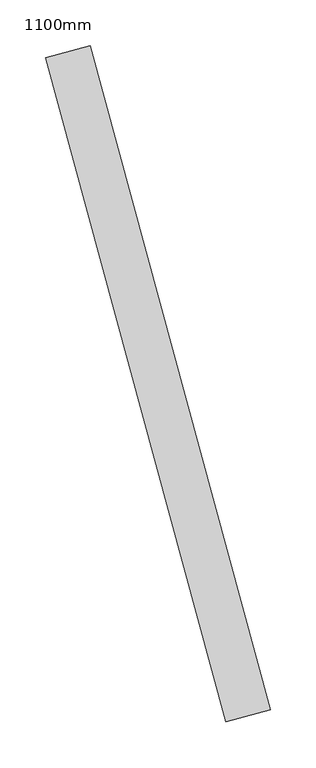
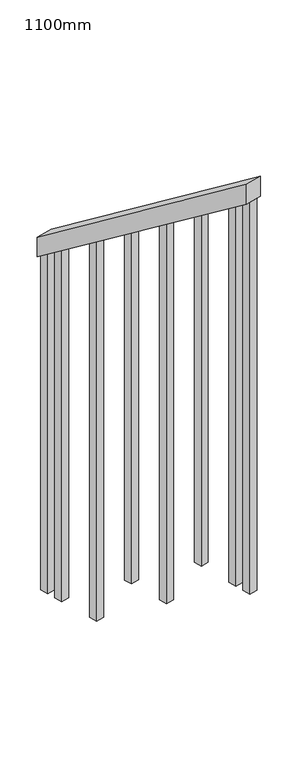
"""IFC4 building model written with IfcOpenShell, lengths in millimetres: railing geometry, 1100mm."""

from ifc_helpers import new_model, si_unit, frame, origin, place, context, project, spatial, polyline, outline, extrude, source, transform, mapped, element, save


def railing_1100mm_a3286faf(model_context):
    return source(origin(), model_context, "Body", "SweptSolid", [
        extrude(outline(polyline([(35.5555555, -50.0), (0.0, 0.0), (920.2958461, 0.0), (955.8514016, -50.0), (35.5555555, -50.0)])), frame((86217.345285, 13639.5119564, 1216.4247214), z_axis=(0.9649894123601869, 0.2622888370341775, 0.0), x_axis=(0.21375368431596142, -0.7864232597554525, 0.5795237863599392)), (0.0, 0.0, 1.0), 50.0),
        extrude(outline(polyline([(1271.980277, 25.0), (1271.980277, 0.0), (91.1111112, 0.0), (108.8888889, 25.0), (1271.980277, 25.0)])), frame((86413.0098386, 12967.2979783, 1805.3136103), z_axis=(0.964989412360187, 0.26228883703417755, 0.0), x_axis=(0.0, 0.0, -1.0)), (0.0, 0.0, 1.0), 25.0),
        extrude(outline(polyline([(1183.0913881, 25.0), (1183.0913881, 0.0), (91.1111111, 0.0), (108.8888889, 25.0), (1183.0913881, 25.0)])), frame((86380.2237339, 13087.9216548, 1716.4247214), z_axis=(0.964989412360187, 0.26228883703417755, 0.0), x_axis=(0.0, 0.0, -1.0)), (0.0, 0.0, 1.0), 25.0),
        extrude(outline(polyline([(1271.9802769, 25.0), (1271.9802769, 0.0), (91.1111111, 0.0), (108.8888889, 25.0), (1271.9802769, 25.0)])), frame((86347.4376293, 13208.5453314, 1627.5358325), z_axis=(0.964989412360187, 0.26228883703417755, 0.0), x_axis=(0.0, 0.0, -1.0)), (0.0, 0.0, 1.0), 25.0),
        extrude(outline(polyline([(1183.091388, 25.0), (1183.091388, 0.0), (91.1111111, 0.0), (108.8888889, 25.0), (1183.091388, 25.0)])), frame((86314.6515247, 13329.1690079, 1538.6469436), z_axis=(0.964989412360187, 0.26228883703417755, 0.0), x_axis=(0.0, 0.0, -1.0)), (0.0, 0.0, 1.0), 25.0),
        extrude(outline(polyline([(1271.9802769, 25.0), (1271.9802769, 0.0), (91.1111111, 0.0), (108.8888889, 25.0), (1271.9802769, 25.0)])), frame((86281.8654201, 13449.7926844, 1449.7580547), z_axis=(0.964989412360187, 0.26228883703417755, 0.0), x_axis=(0.0, 0.0, -1.0)), (0.0, 0.0, 1.0), 25.0),
        extrude(outline(polyline([(1183.091388, 25.0), (1183.091388, 0.0), (91.1111111, 0.0), (108.8888889, 25.0), (1183.091388, 25.0)])), frame((86249.0793154, 13570.416361, 1360.8691658), z_axis=(0.964989412360187, 0.26228883703417755, 0.0), x_axis=(0.0, 0.0, -1.0)), (0.0, 0.0, 1.0), 25.0),
        extrude(outline(polyline([(1307.5358325, 25.0000001), (1307.5358325, 0.0), (91.1111111, 0.0), (108.8888889, 25.0000001), (1307.5358325, 25.0000001)])), frame((86426.1242804, 12919.0485076, 1840.8691658), z_axis=(0.964989412360187, 0.26228883703417755, 0.0), x_axis=(0.0, 0.0, -1.0)), (0.0, 0.0, 1.0), 25.0),
        extrude(outline(polyline([(1147.5358325, 25.0), (1147.5358325, 0.0), (91.1111112, 0.0), (108.8888889, 25.0), (1147.5358325, 25.0)])), frame((86235.9648736, 13618.6658316, 1325.3136103), z_axis=(0.964989412360187, 0.26228883703417755, 0.0), x_axis=(0.0, 0.0, -1.0)), (0.0, 0.0, 1.0), 25.0),
    ])


if __name__ == "__main__":
    model = new_model("IFC4")
    model_context = context("Model", 3, world=origin())
    ifc_project = project(units=[si_unit("LENGTHUNIT", "METRE", prefix="MILLI")], contexts=[model_context])
    site = spatial("IfcSite", under=ifc_project)
    building = spatial("IfcBuilding", under=site)
    placement = place(None, origin())
    railing_1100mm_shape = railing_1100mm_a3286faf(model_context)
    element("IfcRailing", 1, ObjectType="1100mm", at=placement, inside=building, context=model_context, shape_type="MappedRepresentation", body=[
        mapped(railing_1100mm_shape, transform((0.0, 0.0, 0.0), x_axis=(1.0, 0.0, 0.0), y_axis=(0.0, 1.0, 0.0), z_axis=(0.0, 0.0, 1.0))),
    ])
    save(model, "model.ifc")
